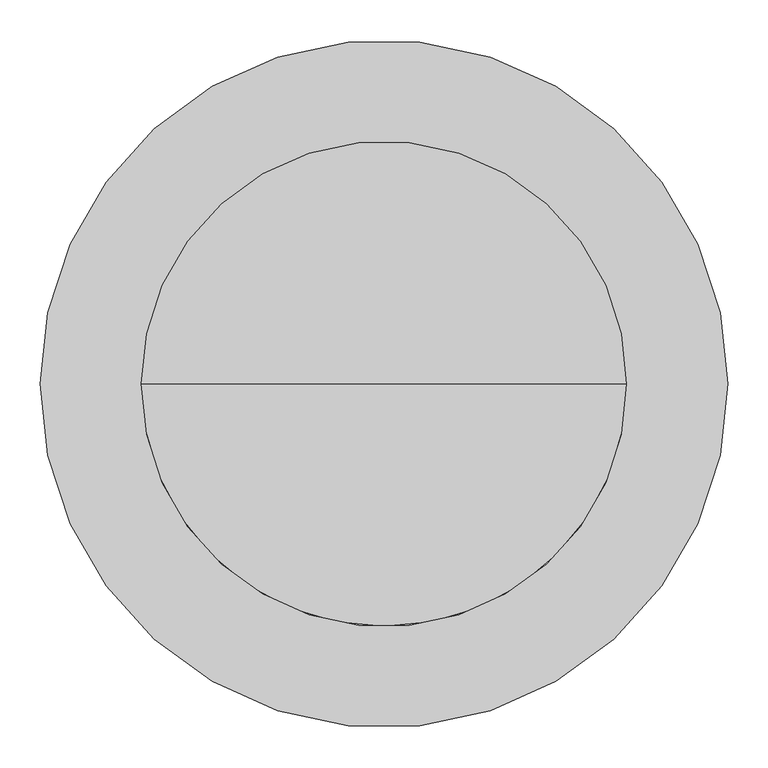
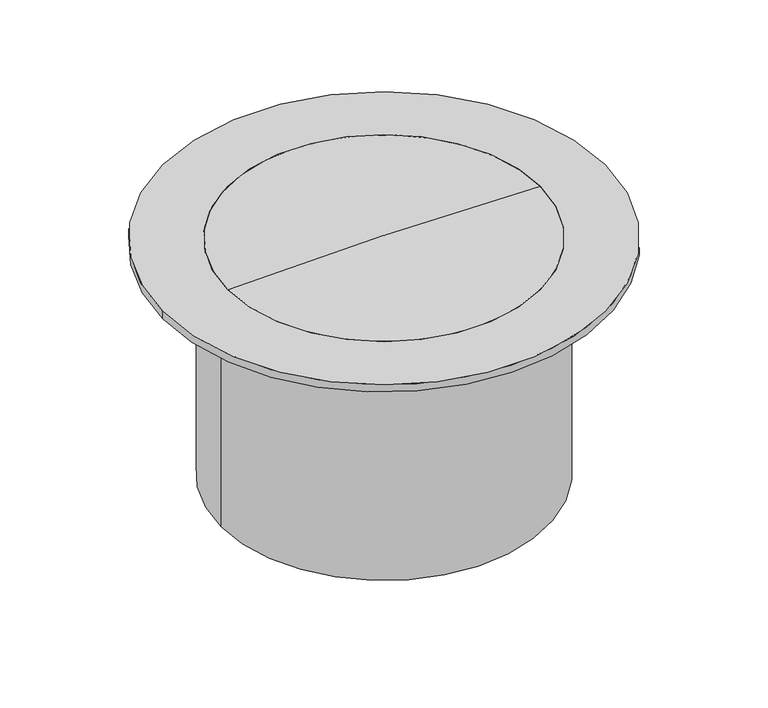
"""IFC4 building model written with IfcOpenShell, lengths in millimetres: proxy geometry."""

from ifc_helpers import new_model, si_unit, point, frame, origin, origin_2d, place, context, project, spatial, polyline, circle_curve, ellipse_curve, trimmed, segment, composite_curve, outline, extrude, source, transform, mapped, element, save
from ifc_brep_helpers import plane_surface, cylinder_surface, revolved_surface, advanced_brep


def specialty_equipment_5184973a(model_context):
    return source(origin(), model_context, "Body", "SolidModel", [
        extrude(outline(composite_curve([segment(trimmed(circle_curve(origin_2d(), 425.0), [point((-425.0, 0.0))], [point((425.0, 0.0))], False, "CARTESIAN"), True, "CONTINUOUS"), segment(trimmed(circle_curve(origin_2d(), 425.0), [point((425.0, 0.0))], [point((-425.0, 0.0))], False, "CARTESIAN"), True, "CONTINUOUS")], self_intersect=False), holes=[composite_curve([segment(trimmed(circle_curve(origin_2d(), 300.0), [point((-300.0, 0.0))], [point((300.0, 0.0))], True, "CARTESIAN"), True, "CONTINUOUS"), segment(trimmed(circle_curve(origin_2d(), 300.0), [point((300.0, 0.0))], [point((-300.0, 0.0))], True, "CARTESIAN"), True, "CONTINUOUS")], self_intersect=False)]), frame((0.0, 0.0, -14.9500624), z_axis=(0.0, 0.0, 1.0), x_axis=(1.0, 0.0, 0.0)), (0.0, 0.0, 1.0), 14.9500624),
        advanced_brep(
        [(0.0, 0.0, -14.9500624), (-300.0, 0.0, -14.9500624), (300.0, 0.0, -14.9500624), (300.0, 0.0, 0.0), (-300.0, 0.0, 0.0), (0.0, 0.0, 6.1740495)],
        [
            (0, 1),
            (1, 2, circle_curve(frame((0.0, 0.0, -14.9500624), z_axis=(0.0, 0.0, -1.0), x_axis=(-1.0, 0.0, 0.0)), 300.0)),
            (2, 0),
            (2, 1, circle_curve(frame((0.0, 0.0, -14.9500624), z_axis=(0.0, 0.0, -1.0), x_axis=(-1.0, 0.0, 0.0)), 300.0)),
            (3, 4, circle_curve(frame((0.0, 0.0, 0.0), z_axis=(0.0, 0.0, 1.0), x_axis=(-1.0, 0.0, 0.0)), 300.0)),
            (4, 5, circle_curve(frame((0.0, 0.0, -7285.4842816), z_axis=(0.0, 1.0, 0.0), x_axis=(1.0, 0.0, 0.0)), 7291.6583311)),
            (5, 3, circle_curve(frame((0.0, 0.0, -7285.4842816), z_axis=(0.0, 1.0, 0.0), x_axis=(-1.0, 0.0, 0.0)), 7291.6583311)),
            (4, 3, circle_curve(frame((0.0, 0.0, 0.0), z_axis=(0.0, 0.0, 1.0), x_axis=(-1.0, 0.0, 0.0)), 300.0)),
            (1, 4),
            (3, 2),
        ],
        [
            plane_surface(frame((0.0, 0.0, -14.9500624), z_axis=(0.0, 0.0, -1.0), x_axis=(-1.0, 0.0, 0.0))),
            revolved_surface(trimmed(ellipse_curve(frame((0.0, 0.0, -7285.4842816), z_axis=(0.0, -1.0, 0.0), x_axis=(1.0, 0.0, 0.0)), 7291.6583311, 7291.6583311), [point((0.0, 0.0, 6.1740495))], [point((-300.0, 0.0, 0.0))], True, "CARTESIAN"), (0.0, 0.0, -119.9500624), (0.0, 0.0, -1.0)),
            cylinder_surface(frame((0.0, 0.0, -119.9500624), z_axis=(0.0, 0.0, -1.0), x_axis=(-1.0, 0.0, 0.0)), 300.0),
        ],
        [
            (0, [[1, 2, 3]]),
            (0, [[-3, 4, -1]]),
            (1, [[5, 6, 7]]),
            (1, [[8, -7, -6]]),
            (2, [[-2, 9, -5, 10]]),
            (2, [[-4, -10, -8, -9]]),
        ],
    ),
        extrude(outline(composite_curve([segment(trimmed(circle_curve(origin_2d(), 313.0), [point((-313.0, 0.0))], [point((313.0, 0.0))], False, "CARTESIAN"), True, "CONTINUOUS"), segment(trimmed(circle_curve(origin_2d(), 313.0), [point((313.0, 0.0))], [point((-313.0, 0.0))], False, "CARTESIAN"), True, "CONTINUOUS")], self_intersect=False), holes=[composite_curve([segment(trimmed(circle_curve(origin_2d(), 300.0), [point((-300.0, 0.0))], [point((300.0, 0.0))], True, "CARTESIAN"), True, "CONTINUOUS"), segment(trimmed(circle_curve(origin_2d(), 300.0), [point((300.0, 0.0))], [point((-300.0, 0.0))], True, "CARTESIAN"), True, "CONTINUOUS")], self_intersect=False)]), frame((0.0, 0.0, -476.0), z_axis=(0.0, 0.0, 1.0), x_axis=(1.0, 0.0, 0.0)), (0.0, 0.0, 1.0), 461.0499376),
        extrude(outline(polyline([(-42.0990731, 0.0), (0.0, 0.0), (-42.0990731, -57.1373839), (-42.0990731, 0.0)])), frame((298.912638, -92.9797552, -57.0491355), z_axis=(0.2817325568414226, 0.9594929736144995, 0.0), x_axis=(0.0, 0.0, -1.0)), (0.0, 0.0, 1.0), 10.0),
        extrude(outline(polyline([(-42.0990731, 0.0), (0.0, 0.0), (-42.0990731, -57.137384), (-42.0990731, 0.0)])), frame((260.6091517, -173.4268435, -57.0491355), z_axis=(0.5406408174555909, 0.8412535328311855, 0.0), x_axis=(0.0, 0.0, -1.0)), (0.0, 0.0, 1.0), 10.0),
        extrude(outline(polyline([(-42.0990731, 0.0), (0.0, 0.0), (-42.0990731, -57.137384), (-42.0990731, 0.0)])), frame((201.1926619, -239.8239204, -57.0491355), z_axis=(0.7557495743542529, 0.6548607339452913, 0.0), x_axis=(0.0, 0.0, -1.0)), (0.0, 0.0, 1.0), 10.0),
        extrude(outline(polyline([(-42.0990731, 0.0), (0.0, 0.0), (-42.0990731, -57.137384), (-42.0990731, 0.0)])), frame((125.4767391, -286.7918896, -57.0491355), z_axis=(0.9096319953545148, 0.4154150130018944, 0.0), x_axis=(0.0, 0.0, -1.0)), (0.0, 0.0, 1.0), 10.0),
        extrude(outline(polyline([(-42.0990731, 0.0), (0.0, 0.0), (-42.0990731, -57.137384), (-42.0990731, 0.0)])), frame((39.5954372, -310.5256855, -57.0491355), z_axis=(0.9898214418809315, 0.1423148382732941, 0.0), x_axis=(0.0, 0.0, -1.0)), (0.0, 0.0, 1.0), 10.0),
        extrude(outline(polyline([(42.0990731, 0.0), (42.0990731, -57.137384), (0.0, 0.0), (42.0990731, 0.0)])), frame((-39.5954372, -310.5256855, -57.0491355), z_axis=(-0.9898214418809342, 0.14231483827327515, 0.0), x_axis=(0.0, 0.0, 1.0)), (0.0, 0.0, 1.0), 10.0),
        extrude(outline(polyline([(42.0990731, 0.0), (42.0990731, -57.137384), (0.0, 0.0), (42.0990731, 0.0)])), frame((-125.4767391, -286.7918896, -57.0491355), z_axis=(-0.9096319953545227, 0.41541501300187716, 0.0), x_axis=(0.0, 0.0, 1.0)), (0.0, 0.0, 1.0), 10.0),
        extrude(outline(polyline([(42.0990731, 0.0), (42.0990731, -57.137384), (0.0, 0.0), (42.0990731, 0.0)])), frame((-201.1926619, -239.8239204, -57.0491355), z_axis=(-0.7557495743542657, 0.6548607339452766, 0.0), x_axis=(0.0, 0.0, 1.0)), (0.0, 0.0, 1.0), 10.0),
        extrude(outline(polyline([(42.0990731, 0.0), (42.0990731, -57.137384), (0.0, 0.0), (42.0990731, 0.0)])), frame((-260.6091517, -173.4268435, -57.0491355), z_axis=(-0.5406408174556072, 0.8412535328311751, 0.0), x_axis=(0.0, 0.0, 1.0)), (0.0, 0.0, 1.0), 10.0),
        extrude(outline(polyline([(42.0990731, 0.0), (42.0990731, -57.1373839), (0.0, 0.0), (42.0990731, 0.0)])), frame((-298.912638, -92.9797552, -57.0491355), z_axis=(-0.28173255684144066, 0.9594929736144941, 0.0), x_axis=(0.0, 0.0, 1.0)), (0.0, 0.0, 1.0), 10.0),
        extrude(outline(polyline([(0.0, 0.0), (0.0, -42.0990731), (-57.137384, 0.0), (0.0, 0.0)])), frame((301.7299635, 83.3848254, -14.9500624), z_axis=(-0.2817325568414226, 0.9594929736144995, 0.0), x_axis=(-0.9594929736144995, -0.2817325568414226, 0.0)), (0.0, 0.0, 1.0), 10.0),
        extrude(outline(polyline([(0.0, 0.0), (0.0, -42.0990731), (-57.137384, 0.0), (0.0, 0.0)])), frame((266.0155599, 165.0143082, -14.9500624), z_axis=(-0.5406408174555909, 0.8412535328311855, 0.0), x_axis=(-0.8412535328311855, -0.5406408174555909, 0.0)), (0.0, 0.0, 1.0), 10.0),
        extrude(outline(polyline([(0.0, 0.0), (0.0, -42.0990731), (-57.137384, 0.0), (0.0, 0.0)])), frame((208.7501576, 233.2753131, -14.9500624), z_axis=(-0.7557495743542529, 0.6548607339452914, 0.0), x_axis=(-0.6548607339452914, -0.7557495743542529, 0.0)), (0.0, 0.0, 1.0), 10.0),
        extrude(outline(polyline([(0.0, 0.0), (0.0, -42.0990731), (-57.137384, 0.0), (0.0, 0.0)])), frame((134.573059, 282.6377395, -14.9500624), z_axis=(-0.9096319953545149, 0.4154150130018944, 0.0), x_axis=(-0.4154150130018944, -0.9096319953545149, 0.0)), (0.0, 0.0, 1.0), 10.0),
        extrude(outline(polyline([(0.0, 0.0), (0.0, -42.0990731), (-57.137384, 0.0), (0.0, 0.0)])), frame((49.4936516, 309.1025371, -14.9500624), z_axis=(-0.9898214418809315, 0.1423148382732941, 0.0), x_axis=(-0.1423148382732941, -0.9898214418809315, 0.0)), (0.0, 0.0, 1.0), 10.0),
        extrude(outline(polyline([(0.0, 0.0), (57.137384, 0.0), (0.0, -42.0990731), (0.0, 0.0)])), frame((-49.4936516, 309.1025371, -14.9500624), z_axis=(0.9898214418809342, 0.14231483827327515, 0.0), x_axis=(-0.14231483827327515, 0.9898214418809342, 0.0)), (0.0, 0.0, 1.0), 10.0),
        extrude(outline(polyline([(0.0, 0.0), (57.137384, 0.0), (0.0, -42.0990731), (0.0, 0.0)])), frame((-134.573059, 282.6377395, -14.9500624), z_axis=(0.9096319953545227, 0.4154150130018771, 0.0), x_axis=(-0.4154150130018771, 0.9096319953545227, 0.0)), (0.0, 0.0, 1.0), 10.0),
        extrude(outline(polyline([(0.0, 0.0), (57.137384, 0.0), (0.0, -42.0990731), (0.0, 0.0)])), frame((-208.7501576, 233.2753131, -14.9500624), z_axis=(0.7557495743542657, 0.6548607339452766, 0.0), x_axis=(-0.6548607339452766, 0.7557495743542657, 0.0)), (0.0, 0.0, 1.0), 10.0),
        extrude(outline(polyline([(0.0, 0.0), (57.137384, 0.0), (0.0, -42.0990731), (0.0, 0.0)])), frame((-266.0155599, 165.0143082, -14.9500624), z_axis=(0.5406408174556071, 0.841253532831175, 0.0), x_axis=(-0.841253532831175, 0.5406408174556071, 0.0)), (0.0, 0.0, 1.0), 10.0),
        extrude(outline(polyline([(0.0, 0.0), (57.137384, 0.0), (0.0, -42.0990731), (0.0, 0.0)])), frame((-301.7299635, 83.3848254, -14.9500624), z_axis=(0.2817325568414407, 0.9594929736144943, 0.0), x_axis=(-0.9594929736144943, 0.2817325568414407, 0.0)), (0.0, 0.0, 1.0), 10.0),
        extrude(outline(polyline([(-14.9500624, 313.0), (-57.0491355, 313.0), (-14.9500624, 370.137384), (-14.9500624, 313.0)])), frame((0.0, -5.0, 0.0), z_axis=(0.0, 1.0, 0.0), x_axis=(0.0, 0.0, 1.0)), (0.0, 0.0, 1.0), 10.0),
        extrude(outline(polyline([(-14.9500624, -313.0), (-14.9500624, -370.137384), (-57.0491355, -313.0), (-14.9500624, -313.0)])), frame((0.0, -5.0, 0.0), z_axis=(0.0, 1.0, 0.0), x_axis=(0.0, 0.0, 1.0)), (0.0, 0.0, 1.0), 10.0),
    ])


if __name__ == "__main__":
    model = new_model("IFC4")
    model_context = context("Model", 3, world=origin())
    ifc_project = project(units=[si_unit("LENGTHUNIT", "METRE", prefix="MILLI")], contexts=[model_context])
    site = spatial("IfcSite", under=ifc_project)
    building = spatial("IfcBuilding", under=site)
    placement = place(None, origin())
    specialty_equipment_shape = specialty_equipment_5184973a(model_context)
    element("IfcBuildingElementProxy", 1, Name="Specialty Equipment", at=placement, inside=building, context=model_context, shape_type="MappedRepresentation", body=[
        mapped(specialty_equipment_shape, transform((0.0, 0.0, 0.0), x_axis=(1.0, 0.0, 0.0), y_axis=(0.0, 1.0, 0.0), z_axis=(0.0, 0.0, 1.0))),
    ])
    save(model, "model.ifc")
